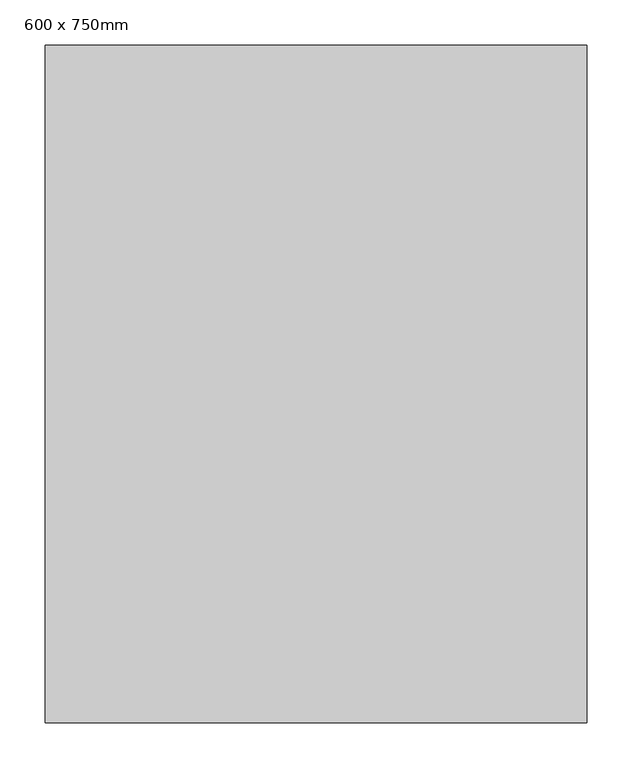
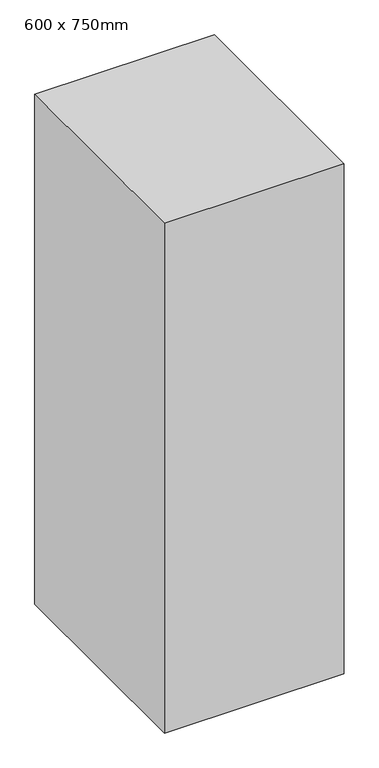
"""IFC4 building model written with IfcOpenShell, lengths in millimetres: column geometry, 600 x 750mm."""

from ifc_helpers import new_model, si_unit, origin, origin_with_axes, place, context, project, spatial, polyline, outline, extrude, source, transform, mapped, element, save


def column_600_x_750mm_74892ecd(model_context):
    return source(origin(), model_context, "Body", "SweptSolid", [
        extrude(outline(polyline([(300.0, 375.0), (300.0, -375.0), (-300.0, -375.0), (-300.0, 375.0), (300.0, 375.0)])), origin_with_axes(), (0.0, 0.0, 1.0), 1800.0),
    ])


if __name__ == "__main__":
    model = new_model("IFC4")
    model_context = context("Model", 3, world=origin())
    ifc_project = project(units=[si_unit("LENGTHUNIT", "METRE", prefix="MILLI")], contexts=[model_context])
    site = spatial("IfcSite", under=ifc_project)
    building = spatial("IfcBuilding", under=site)
    placement = place(None, origin())
    column_600_x_750mm_shape = column_600_x_750mm_74892ecd(model_context)
    element("IfcColumn", 1, ObjectType="600 x 750mm", at=placement, inside=building, context=model_context, shape_type="MappedRepresentation", body=[
        mapped(column_600_x_750mm_shape, transform((0.0, 0.0, 0.0), x_axis=(1.0, 0.0, 0.0), y_axis=(0.0, 1.0, 0.0), z_axis=(0.0, 0.0, 1.0))),
    ])
    save(model, "model.ifc")
